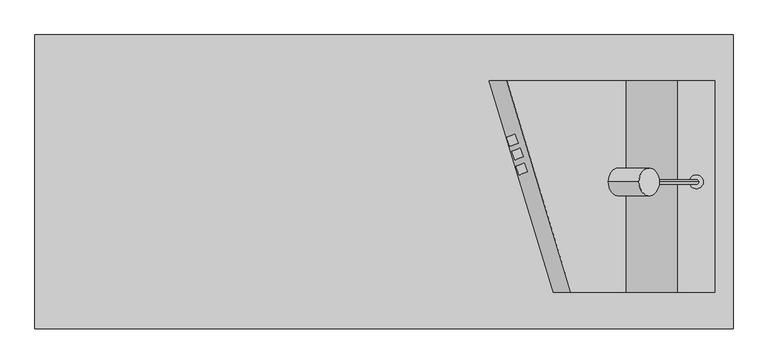
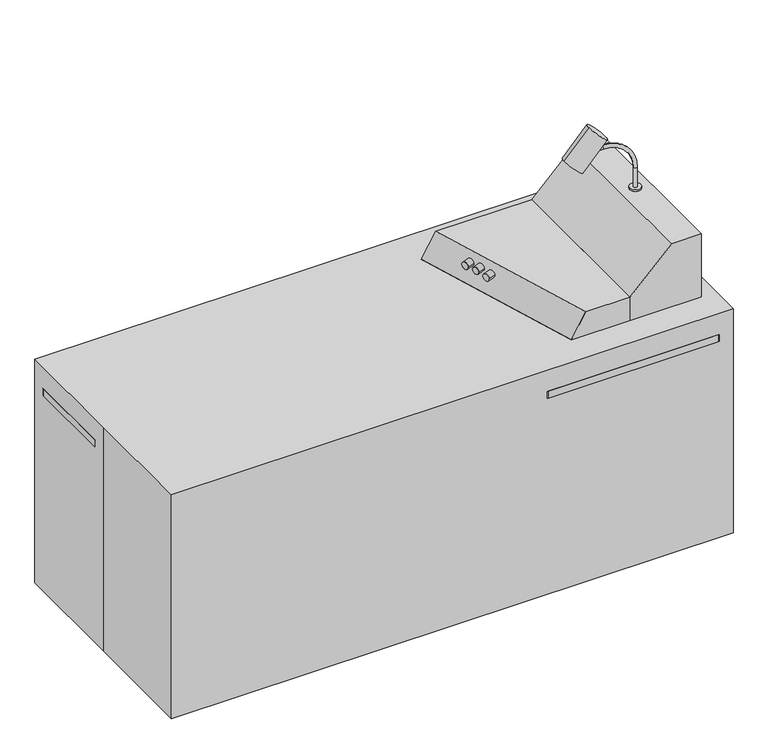
"""IFC4 building model written with IfcOpenShell, lengths in millimetres: proxy geometry."""

from ifc_helpers import new_model, si_unit, point, frame, frame_2d, origin, origin_with_axes, place, context, project, spatial, polyline, circle_curve, ellipse_curve, trimmed, segment, composite_curve, outline, extrude, faceted_brep, source, transform, mapped, element, save
from ifc_brep_helpers import plane_surface, cylinder_surface, revolved_surface, advanced_brep


def specialty_equipment_5e6c8494(model_context):
    return source(origin(), model_context, "Body", "SolidModel", [
        extrude(outline(composite_curve([segment(trimmed(circle_curve(frame_2d((0.0, -12.7)), 12.7), [point((0.0, -25.4))], [point((0.0, 0.0))], False, "CARTESIAN"), True, "CONTINUOUS"), segment(trimmed(circle_curve(frame_2d((0.0, -12.7)), 12.7), [point((0.0, 0.0))], [point((0.0, -25.4))], False, "CARTESIAN"), True, "CONTINUOUS")], self_intersect=False)), frame((364.8484075, 43.1694013, 870.7873027), z_axis=(0.9396926207859084, 0.3420201433256687, 0.0), x_axis=(0.0, 0.0, -1.0)), (0.0, 0.0, 1.0), 24.6267902),
        extrude(outline(composite_curve([segment(trimmed(circle_curve(frame_2d((0.0, -12.7)), 12.7), [point((0.0, -25.4))], [point((0.0, 0.0))], False, "CARTESIAN"), True, "CONTINUOUS"), segment(trimmed(circle_curve(frame_2d((0.0, -12.7)), 12.7), [point((0.0, 0.0))], [point((0.0, -25.4))], False, "CARTESIAN"), True, "CONTINUOUS")], self_intersect=False)), frame((353.095887, 84.8991378, 873.9623027), z_axis=(0.9396926207859084, 0.3420201433256687, 0.0), x_axis=(0.0, 0.0, -1.0)), (0.0, 0.0, 1.0), 24.6267902),
        extrude(outline(composite_curve([segment(trimmed(circle_curve(frame_2d((0.0, -12.7)), 12.7), [point((0.0, -25.4))], [point((0.0, 0.0))], False, "CARTESIAN"), True, "CONTINUOUS"), segment(trimmed(circle_curve(frame_2d((0.0, -12.7)), 12.7), [point((0.0, 0.0))], [point((0.0, -25.4))], False, "CARTESIAN"), True, "CONTINUOUS")], self_intersect=False)), frame((338.808387, 122.9991378, 873.9623027), z_axis=(0.9396926207859084, 0.3420201433256687, 0.0), x_axis=(0.0, 0.0, -1.0)), (0.0, 0.0, 1.0), 24.6267902),
        extrude(outline(composite_curve([segment(trimmed(circle_curve(frame_2d((0.0, -38.0999999)), 38.1), [point((0.0, -76.2))], [point((0.0, 0.0))], False, "CARTESIAN"), True, "CONTINUOUS"), segment(trimmed(circle_curve(frame_2d((0.0, -38.0999999)), 38.1), [point((0.0, 0.0))], [point((0.0, -76.2))], False, "CARTESIAN"), True, "CONTINUOUS")], self_intersect=False)), frame((676.4258014, 0.0, 1171.7525048), z_axis=(0.6750284754181788, 0.0, 0.73779167613535), x_axis=(0.0, -1.0, 0.0)), (0.0, 0.0, 1.0), 125.4125),
        advanced_brep(
        [(869.95, 0.0, 1047.75), (857.25, 0.0, 1047.75), (869.95, 0.0, 1117.6), (857.25, 0.0, 1117.6), (751.3467985, 0.0, 1223.5032015), (751.3467985, 0.0, 1236.2032015), (719.5967985, 0.0, 1236.2032015), (719.5967985, 0.0, 1223.5032015)],
        [
            (0, 1, circle_curve(frame((863.6, 0.0, 1047.75), z_axis=(0.0, 0.0, -1.0), x_axis=(-1.0, 0.0, 0.0)), 6.35)),
            (1, 0, circle_curve(frame((863.6, 0.0, 1047.75), z_axis=(0.0, 0.0, -1.0), x_axis=(-1.0, 0.0, 0.0)), 6.35)),
            (0, 2),
            (2, 3, circle_curve(frame((863.6, 0.0, 1117.6), z_axis=(0.0, 0.0, -1.0), x_axis=(-1.0, 0.0, 0.0)), 6.35)),
            (3, 1),
            (3, 2, circle_curve(frame((863.6, 0.0, 1117.6), z_axis=(0.0, 0.0, -1.0), x_axis=(-1.0, 0.0, 0.0)), 6.35)),
            (4, 3, circle_curve(frame((751.3467985, 0.0, 1117.6), z_axis=(0.0, 1.0, 0.0), x_axis=(1.0, 0.0, 0.0)), 105.9032015)),
            (2, 5, circle_curve(frame((751.3467985, 0.0, 1117.6), z_axis=(0.0, -1.0, 0.0), x_axis=(1.0, 0.0, 0.0)), 118.6032015)),
            (5, 4, circle_curve(frame((751.3467985, 0.0, 1229.8532015), z_axis=(1.0, 0.0, 0.0), x_axis=(0.0, 0.0, -1.0)), 6.35)),
            (4, 5, circle_curve(frame((751.3467985, 0.0, 1229.8532015), z_axis=(1.0, 0.0, 0.0), x_axis=(0.0, 0.0, -1.0)), 6.35)),
            (6, 7, circle_curve(frame((719.5967985, 0.0, 1229.8532015), z_axis=(-1.0, 0.0, 0.0), x_axis=(0.0, 0.0, -1.0)), 6.35)),
            (7, 6, circle_curve(frame((719.5967985, 0.0, 1229.8532015), z_axis=(-1.0, 0.0, 0.0), x_axis=(0.0, 0.0, -1.0)), 6.35)),
            (5, 6),
            (7, 4),
        ],
        [
            plane_surface(frame((863.6, 0.0, 1047.75), z_axis=(0.0, 0.0, -1.0), x_axis=(0.0, -1.0, 0.0))),
            cylinder_surface(frame((863.6, 0.0, 1047.75), z_axis=(0.0, 0.0, -1.0), x_axis=(-1.0, 0.0, 0.0)), 6.35),
            revolved_surface(trimmed(ellipse_curve(frame((863.6, 0.0, 1117.6), z_axis=(0.0, 0.0, -1.0), x_axis=(-1.0, 0.0, 0.0)), 6.35, 6.35), [point((869.95, 0.0, 1117.6))], [point((857.25, 0.0, 1117.6))], True, "CARTESIAN"), (751.3467985, 0.0, 1117.6), (0.0, -1.0, 0.0)),
            revolved_surface(trimmed(ellipse_curve(frame((863.6, 0.0, 1117.6), z_axis=(0.0, 0.0, -1.0), x_axis=(-1.0, 0.0, 0.0)), 6.35, 6.35), [point((857.25, 0.0, 1117.6))], [point((869.95, 0.0, 1117.6))], True, "CARTESIAN"), (751.3467985, 0.0, 1117.6), (0.0, -1.0, 0.0)),
            plane_surface(frame((719.5967985, 0.0, 1229.8532015), z_axis=(-1.0, 0.0, 0.0), x_axis=(0.0, -1.0, 0.0))),
            cylinder_surface(frame((751.3467985, 0.0, 1229.8532015), z_axis=(1.0, 0.0, 0.0), x_axis=(0.0, 0.0, -1.0)), 6.35),
        ],
        [
            (0, [[1, 2]]),
            (1, [[-1, 3, 4, 5]]),
            (1, [[-2, -5, 6, -3]]),
            (2, [[7, -4, 8, 9]]),
            (3, [[-8, -6, -7, 10]]),
            (4, [[11, 12]]),
            (5, [[-9, 13, -12, 14]]),
            (5, [[-10, -14, -11, -13]]),
        ],
    ),
        extrude(outline(composite_curve([segment(trimmed(circle_curve(frame_2d((863.6, 0.0)), 19.05), [point((844.55, 0.0))], [point((882.65, 0.0))], False, "CARTESIAN"), True, "CONTINUOUS"), segment(trimmed(circle_curve(frame_2d((863.6, 0.0)), 19.05), [point((882.65, 0.0))], [point((844.55, 0.0))], False, "CARTESIAN"), True, "CONTINUOUS")], self_intersect=False)), frame((0.0, 0.0, 1041.4), z_axis=(0.0, 0.0, 1.0), x_axis=(1.0, 0.0, 0.0)), (0.0, 0.0, 1.0), 6.35),
        extrude(outline(polyline([(0.0, 50.8), (0.0, 181.9683965), (19.05, 181.9683965), (19.05, 57.1740408), (296.6020727, -311.15), (469.9, -311.15), (469.9, -330.2), (287.1040931, -330.2), (0.0, 50.8)])), frame((0.0, 0.0, 577.85), z_axis=(0.0, 0.0, 1.0), x_axis=(1.0, 0.0, 0.0)), (0.0, 0.0, 1.0), 133.35),
        extrude(outline(polyline([(469.9, 181.9683965), (469.9, -330.2), (317.5, -330.2), (287.1040931, -330.2), (0.0, 50.8), (-927.1, 50.8), (-927.1, 181.9683965), (469.9, 181.9683965)])), frame((0.0, 0.0, 558.8), z_axis=(0.0, 0.0, 1.0), x_axis=(1.0, 0.0, 0.0)), (0.0, 0.0, 1.0), 19.05),
        extrude(outline(polyline([(-330.2, 63.5), (-330.2, 704.85), (-330.2, 711.2), (181.9683965, 711.2), (181.9683965, 0.0), (-285.75, 0.0), (-285.75, 63.5), (-330.2, 63.5)])), frame((469.9, 0.0, 0.0), z_axis=(1.0, 0.0, 0.0), x_axis=(0.0, 1.0, 0.0)), (0.0, 0.0, 1.0), 19.05),
        extrude(outline(polyline([(927.1, -330.2), (927.1, -355.6), (469.9, -355.6), (469.9, -330.2), (927.1, -330.2)])), frame((0.0, 0.0, 63.5), z_axis=(0.0, 0.0, 1.0), x_axis=(1.0, 0.0, 0.0)), (0.0, 0.0, 1.0), 323.85),
        extrude(outline(polyline([(927.1, -330.2), (927.1, -355.6), (469.9, -355.6), (469.9, -330.2), (927.1, -330.2)])), frame((0.0, 0.0, 393.7), z_axis=(0.0, 0.0, 1.0), x_axis=(1.0, 0.0, 0.0)), (0.0, 0.0, 1.0), 152.4),
        extrude(outline(polyline([(927.1, -330.2), (927.1, -355.6), (469.9, -355.6), (469.9, -330.2), (927.1, -330.2)])), frame((0.0, 0.0, 552.45), z_axis=(0.0, 0.0, 1.0), x_axis=(1.0, 0.0, 0.0)), (0.0, 0.0, 1.0), 152.4),
        extrude(outline(polyline([(181.9683965, 63.5), (-304.8, 63.5), (-330.2, 63.5), (-330.2, 82.55), (181.9683965, 82.55), (181.9683965, 63.5)])), frame((469.9, 0.0, 0.0), z_axis=(1.0, 0.0, 0.0), x_axis=(0.0, 1.0, 0.0)), (0.0, 0.0, 1.0), 457.2),
        extrude(outline(polyline([(927.1, -285.75), (927.1, -304.8), (469.9, -304.8), (469.9, -285.75), (927.1, -285.75)])), origin_with_axes(), (0.0, 0.0, 1.0), 63.5),
        extrude(outline(polyline([(355.6, 558.8), (286.9879874, 0.0), (-355.6, 0.0), (-355.6, 711.2), (355.6, 711.2), (355.6, 558.8)])), frame((927.1, 0.0, 0.0), z_axis=(1.0, 0.0, 0.0), x_axis=(0.0, 1.0, 0.0)), (0.0, 0.0, 1.0), 19.05),
        extrude(outline(polyline([(355.6, 558.8), (286.9879874, 0.0), (119.4120126, 0.0), (50.8, 558.8), (50.8, 711.2), (355.6, 711.2), (355.6, 558.8)])), frame((-946.15, 0.0, 0.0), z_axis=(1.0, 0.0, 0.0), x_axis=(0.0, 1.0, 0.0)), (0.0, 0.0, 1.0), 19.05),
        extrude(outline(polyline([(927.1, 203.2), (927.1, 181.9683965), (-927.1, 181.9683965), (-927.1, 203.2), (927.1, 203.2)])), origin_with_axes(), (0.0, 0.0, 1.0), 711.2),
        faceted_brep([(669.1159021, 279.8845694, 897.7159021), (669.1159021, 279.8845694, 736.6), (333.8837737, 279.8845694, 736.6), (289.8896831, 279.8845694, 812.8), (338.9159021, 279.8845694, 897.7159021), (669.1159021, -304.8, 897.7159021), (516.7159021, -304.8, 897.7159021), (467.6896831, -304.8, 812.8), (511.6837737, -304.8, 736.6), (669.1159021, -304.8, 736.6)], [[[0, 1, 2, 3, 4]], [[5, 6, 7, 8, 9]], [[6, 5, 0, 4]], [[7, 6, 4, 3]], [[8, 7, 3, 2]], [[9, 8, 2, 1]], [[5, 9, 1, 0]]]),
        extrude(outline(polyline([(1041.4, 914.4), (1041.4, 812.8), (897.7159021, 669.1159021), (736.6, 669.1159021), (736.6, 914.4), (1041.4, 914.4)])), frame((0.0, -304.8, 0.0), z_axis=(0.0, 1.0, 0.0), x_axis=(0.0, 0.0, 1.0)), (0.0, 0.0, 1.0), 584.6845694),
        extrude(outline(composite_curve([segment(trimmed(circle_curve(frame_2d((914.4, -355.6)), 50.8), [point((965.2, -355.6))], [point((914.4, -406.4))], False, "CARTESIAN"), True, "CONTINUOUS"), segment(polyline([(914.4, -406.4), (330.2, -406.4)]), True, "CONTINUOUS"), segment(trimmed(circle_curve(frame_2d((330.2, -355.6)), 50.8), [point((330.2, -406.4))], [point((289.56, -386.08))], False, "CARTESIAN"), True, "CONTINUOUS"), segment(polyline([(289.56, -386.08), (15.24, -20.32)]), True, "CONTINUOUS"), segment(trimmed(circle_curve(frame_2d((-25.4, -50.8)), 50.8), [point((15.24, -20.32))], [point((-25.4, 0.0))], True, "CARTESIAN"), True, "CONTINUOUS"), segment(polyline([(-25.4, 0.0), (-914.4, 0.0)]), True, "CONTINUOUS"), segment(trimmed(circle_curve(frame_2d((-914.4, 50.8)), 50.8), [point((-914.4, 0.0))], [point((-965.2, 50.8))], False, "CARTESIAN"), True, "CONTINUOUS"), segment(polyline([(-965.2, 50.8), (-965.2, 355.6)]), True, "CONTINUOUS"), segment(trimmed(circle_curve(frame_2d((-914.4, 355.6)), 50.8), [point((-965.2, 355.6))], [point((-914.4, 406.4))], False, "CARTESIAN"), True, "CONTINUOUS"), segment(polyline([(-914.4, 406.4), (914.4, 406.4)]), True, "CONTINUOUS"), segment(trimmed(circle_curve(frame_2d((914.4, 355.6)), 50.8), [point((914.4, 406.4))], [point((965.2, 355.6))], False, "CARTESIAN"), True, "CONTINUOUS"), segment(polyline([(965.2, 355.6), (965.2, -355.6)]), True, "CONTINUOUS")], self_intersect=False)), frame((0.0, 0.0, 711.2), z_axis=(0.0, 0.0, 1.0), x_axis=(1.0, 0.0, 0.0)), (0.0, 0.0, 1.0), 25.4),
        extrude(outline(polyline([(-965.2, 406.4), (965.2, 406.4), (965.2, -406.4), (-965.2, -406.4), (-965.2, 0.0), (-965.2, 406.4)])), origin_with_axes(), (0.0, 0.0, 1.0), 812.8),
    ])


if __name__ == "__main__":
    model = new_model("IFC4")
    model_context = context("Model", 3, world=origin())
    ifc_project = project(units=[si_unit("LENGTHUNIT", "METRE", prefix="MILLI")], contexts=[model_context])
    site = spatial("IfcSite", under=ifc_project)
    building = spatial("IfcBuilding", under=site)
    placement = place(None, origin())
    specialty_equipment_shape = specialty_equipment_5e6c8494(model_context)
    element("IfcBuildingElementProxy", 1, Name="Specialty Equipment", at=placement, inside=building, context=model_context, shape_type="MappedRepresentation", body=[
        mapped(specialty_equipment_shape, transform((0.0, 0.0, 0.0), x_axis=(1.0, 0.0, 0.0), y_axis=(0.0, 1.0, 0.0), z_axis=(0.0, 0.0, 1.0))),
    ])
    save(model, "model.ifc")
